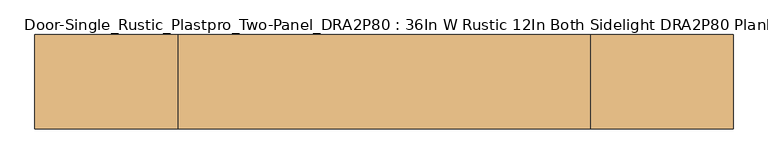
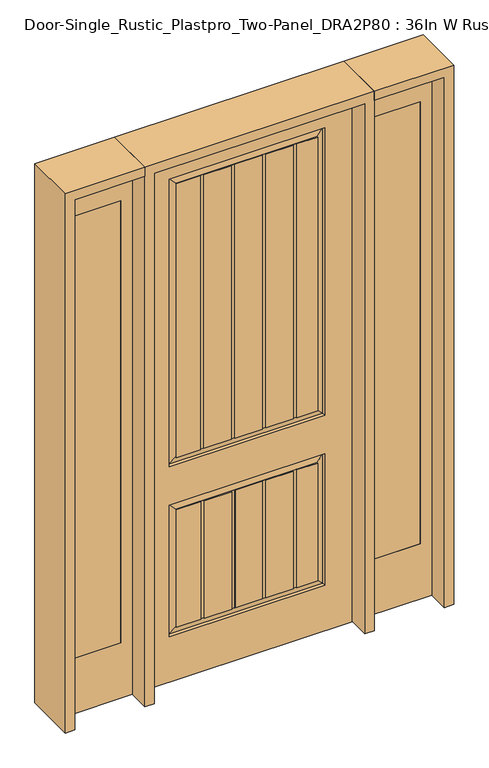
"""IFC4 building model written with IfcOpenShell, lengths in millimetres: door geometry, Door-Single_Rustic_Plastpro_Two-Panel_DRA2P80 : 36In W Rustic 12In Both Sidelight DRA2P80 Plank 96In."""

from ifc_helpers import new_model, si_unit, frame, origin, place, context, project, spatial, polyline, outline, extrude, faceted_brep, source, transform, mapped, element, save


def door_single_rustic_plastpro_two_panel_dra2p80_36in_w_rustic_40f884b5(model_context):
    return source(origin(), model_context, "Body", "SolidModel", [
        extrude(outline(polyline([(0.0, 803.275), (2438.4, 803.275), (2438.4, 498.475), (0.0, 498.475), (0.0, 803.275)]), holes=[polyline([(2286.0, 549.275), (2286.0, 752.475), (254.0, 752.475), (254.0, 549.275), (2286.0, 549.275)])]), frame((0.0, -20.6375, 0.0), z_axis=(0.0, 1.0, 0.0), x_axis=(0.0, 0.0, 1.0)), (0.0, 0.0, 1.0), 41.275),
        extrude(outline(polyline([(549.275, -20.6375), (549.275, 20.6375), (752.475, 20.6375), (752.475, -20.6375), (549.275, -20.6375)])), frame((0.0, 0.0, 254.0), z_axis=(0.0, 0.0, 1.0), x_axis=(1.0, 0.0, 0.0)), (0.0, 0.0, 1.0), 2032.0),
        extrude(outline(polyline([(0.0, -803.275), (0.0, -498.475), (2438.4, -498.475), (2438.4, -803.275), (0.0, -803.275)]), holes=[polyline([(2286.0, -549.275), (254.0, -549.275), (254.0, -752.475), (2286.0, -752.475), (2286.0, -549.275)])]), frame((0.0, -20.6375, 0.0), z_axis=(0.0, 1.0, 0.0), x_axis=(0.0, 0.0, 1.0)), (0.0, 0.0, 1.0), 41.275),
        extrude(outline(polyline([(-549.275, -20.6375), (-752.475, -20.6375), (-752.475, 20.6375), (-549.275, 20.6375), (-549.275, -20.6375)])), frame((0.0, 0.0, 254.0), z_axis=(0.0, 0.0, 1.0), x_axis=(1.0, 0.0, 0.0)), (0.0, 0.0, 1.0), 2032.0),
        faceted_brep([(457.2, 20.6375, 0.0), (-457.2, 20.6375, 0.0), (-457.2, 20.6375, 2438.4), (457.2, 20.6375, 2438.4), (-338.1375, 20.6375, 990.6), (338.1375, 20.6375, 990.6), (338.1375, 20.6375, 2311.4), (-338.1375, 20.6375, 2311.4), (-338.1375, 20.6375, 209.55), (338.1375, 20.6375, 209.55), (338.1375, 20.6375, 812.8), (-338.1375, 20.6375, 812.8), (201.36158, 20.6375, 781.59283), (201.36158, 20.6375, 240.75717), (82.4002142, 20.6375, 240.75717), (82.4002142, 20.6375, 781.59283), (216.6412675, 20.6375, 240.75717), (216.6412675, 20.6375, 781.59283), (306.93033, 20.6375, 781.59283), (306.93033, 20.6375, 240.75717), (-67.1205267, 20.6375, 781.59283), (-67.1205267, 20.6375, 240.75717), (-186.0818925, 20.6375, 240.75717), (-186.0818925, 20.6375, 781.59283), (-51.8408392, 20.6375, 240.75717), (-51.8408392, 20.6375, 781.59283), (67.1205267, 20.6375, 781.59283), (67.1205267, 20.6375, 240.75717), (201.36158, 20.6375, 2280.19283), (201.36158, 20.6375, 1021.80717), (82.4002142, 20.6375, 1021.80717), (82.4002142, 20.6375, 2280.19283), (216.6412675, 20.6375, 1021.80717), (216.6412675, 20.6375, 2280.19283), (306.93033, 20.6375, 2280.19283), (306.93033, 20.6375, 1021.80717), (-67.1205267, 20.6375, 2280.19283), (-67.1205267, 20.6375, 1021.80717), (-186.0818925, 20.6375, 1021.80717), (-186.0818925, 20.6375, 2280.19283), (-51.8408392, 20.6375, 1021.80717), (-51.8408392, 20.6375, 2280.19283), (67.1205267, 20.6375, 2280.19283), (67.1205267, 20.6375, 1021.80717), (-201.36158, 20.6375, 2280.19283), (-201.36158, 20.6375, 1021.80717), (-306.93033, 20.6375, 1021.80717), (-306.93033, 20.6375, 2280.19283), (-201.36158, 20.6375, 781.59283), (-201.36158, 20.6375, 240.75717), (-306.93033, 20.6375, 240.75717), (-306.93033, 20.6375, 781.59283), (457.2, -20.6375, 0.0), (-457.2, -20.6375, 0.0), (-457.2, -20.6375, 2438.4), (457.2, -20.6375, 2438.4), (338.1375, -20.6375, 990.6), (-338.1375, -20.6375, 990.6), (-338.1375, -20.6375, 2311.4), (338.1375, -20.6375, 2311.4), (338.1375, -20.6375, 209.55), (-338.1375, -20.6375, 209.55), (-338.1375, -20.6375, 812.8), (338.1375, -20.6375, 812.8), (201.36158, -20.6375, 240.75717), (201.36158, -20.6375, 781.59283), (82.4002142, -20.6375, 781.59283), (82.4002142, -20.6375, 240.75717), (216.6412675, -20.6375, 781.59283), (216.6412675, -20.6375, 240.75717), (306.93033, -20.6375, 240.75717), (306.93033, -20.6375, 781.59283), (-67.1205267, -20.6375, 240.75717), (-67.1205267, -20.6375, 781.59283), (-186.0818925, -20.6375, 781.59283), (-186.0818925, -20.6375, 240.75717), (-51.8408392, -20.6375, 781.59283), (-51.8408392, -20.6375, 240.75717), (67.1205267, -20.6375, 240.75717), (67.1205267, -20.6375, 781.59283), (201.36158, -20.6375, 1021.80717), (201.36158, -20.6375, 2280.19283), (82.005985, -20.6375, 2280.19283), (82.005985, -20.6375, 1021.80717), (216.6412675, -20.6375, 2280.19283), (216.6412675, -20.6375, 1021.80717), (306.93033, -20.6375, 1021.80717), (306.93033, -20.6375, 2280.19283), (-67.908985, -20.6375, 1021.80717), (-67.908985, -20.6375, 2280.19283), (-187.26458, -20.6375, 2280.19283), (-187.26458, -20.6375, 1021.80717), (-52.6292975, -20.6375, 2280.19283), (-52.6292975, -20.6375, 1021.80717), (66.7262975, -20.6375, 1021.80717), (66.7262975, -20.6375, 2280.19283), (-202.5442675, -20.6375, 1021.80717), (-202.5442675, -20.6375, 2280.19283), (-306.93033, -20.6375, 2280.19283), (-306.93033, -20.6375, 1021.80717), (-201.36158, -20.6375, 240.75717), (-201.36158, -20.6375, 781.59283), (-306.93033, -20.6375, 781.59283), (-306.93033, -20.6375, 240.75717), (201.36158, 17.4625, 781.59283), (201.36158, 17.4625, 240.75717), (82.4002142, 17.4625, 240.75717), (82.4002142, 17.4625, 781.59283), (216.6412675, 17.4625, 240.75717), (216.6412675, 17.4625, 781.59283), (-67.1205267, 17.4625, 781.59283), (-67.1205267, 17.4625, 240.75717), (-51.8408392, 17.4625, 240.75717), (-51.8408392, 17.4625, 781.59283), (67.1205267, 17.4625, 781.59283), (67.1205267, 17.4625, 240.75717), (201.36158, 17.4625, 2280.19283), (201.36158, 17.4625, 1021.80717), (82.4002142, 17.4625, 1021.80717), (82.4002142, 17.4625, 2280.19283), (216.6412675, 17.4625, 1021.80717), (216.6412675, 17.4625, 2280.19283), (-67.1205267, 17.4625, 2280.19283), (-67.1205267, 17.4625, 1021.80717), (-51.8408392, 17.4625, 1021.80717), (-51.8408392, 17.4625, 2280.19283), (67.1205267, 17.4625, 2280.19283), (67.1205267, 17.4625, 1021.80717), (201.36158, -17.4625, 240.75717), (201.36158, -17.4625, 781.59283), (82.4002142, -17.4625, 781.59283), (82.4002142, -17.4625, 240.75717), (216.6412675, -17.4625, 781.59283), (216.6412675, -17.4625, 240.75717), (-67.1205267, -17.4625, 240.75717), (-67.1205267, -17.4625, 781.59283), (-51.8408392, -17.4625, 781.59283), (-51.8408392, -17.4625, 240.75717), (67.1205267, -17.4625, 240.75717), (67.1205267, -17.4625, 781.59283), (201.36158, -17.4625, 1021.80717), (201.36158, -17.4625, 2280.19283), (82.005985, -17.4625, 2280.19283), (82.005985, -17.4625, 1021.80717), (216.6412675, -17.4625, 2280.19283), (216.6412675, -17.4625, 1021.80717), (-67.908985, -17.4625, 1021.80717), (-67.908985, -17.4625, 2280.19283), (-52.6292975, -17.4625, 2280.19283), (-52.6292975, -17.4625, 1021.80717), (66.7262975, -17.4625, 1021.80717), (66.7262975, -17.4625, 2280.19283), (306.93033, 16.4079106, 240.75717), (-306.93033, 16.4079106, 240.75717), (-201.36158, 17.4625, 240.75717), (-186.0818925, 17.4625, 240.75717), (306.93033, 16.4079106, 781.59283), (-186.0818925, 17.4625, 781.59283), (-201.36158, 17.4625, 781.59283), (-306.93033, 16.4079106, 781.59283), (306.93033, 16.4079106, 1021.80717), (-306.93033, 16.4079106, 1021.80717), (-201.36158, 17.4625, 1021.80717), (-186.0818925, 17.4625, 1021.80717), (306.93033, 16.4079106, 2280.19283), (-186.0818925, 17.4625, 2280.19283), (-333.918693, 11.1619043, 994.818807), (333.918693, 11.1619043, 994.818807), (333.918693, 11.1619043, 2307.181193), (-333.918693, 11.1619043, 2307.181193), (-333.918693, 11.1619043, 213.768807), (333.918693, 11.1619043, 213.768807), (333.918693, 11.1619043, 808.581193), (-333.918693, 11.1619043, 808.581193), (-201.36158, 17.4625, 2280.19283), (-306.93033, 16.4079106, 2280.19283), (306.93033, -16.4079106, 781.59283), (-306.93033, -16.4079106, 781.59283), (-201.36158, -17.4625, 781.59283), (-186.0818925, -17.4625, 781.59283), (-306.93033, -16.4079106, 240.75717), (306.93033, -16.4079106, 240.75717), (-186.0818925, -17.4625, 240.75717), (-201.36158, -17.4625, 240.75717), (-306.93033, -16.4079106, 1021.80717), (306.93033, -16.4079106, 1021.80717), (-187.26458, -17.4625, 1021.80717), (-202.5442675, -17.4625, 1021.80717), (306.93033, -16.4079106, 2280.19283), (-187.26458, -17.4625, 2280.19283), (333.918693, -11.1619043, 994.818807), (-333.918693, -11.1619043, 994.818807), (-333.918693, -11.1619043, 2307.181193), (333.918693, -11.1619043, 2307.181193), (333.918693, -11.1619043, 213.768807), (-333.918693, -11.1619043, 213.768807), (-333.918693, -11.1619043, 808.581193), (333.918693, -11.1619043, 808.581193), (-202.5442675, -17.4625, 2280.19283), (-306.93033, -16.4079106, 2280.19283)], [[[0, 1, 2, 3], [4, 5, 6, 7], [8, 9, 10, 11]], [[12, 13, 14, 15]], [[16, 17, 18, 19]], [[20, 21, 22, 23]], [[24, 25, 26, 27]], [[28, 29, 30, 31]], [[32, 33, 34, 35]], [[36, 37, 38, 39]], [[40, 41, 42, 43]], [[44, 45, 46, 47]], [[48, 49, 50, 51]], [[1, 0, 52, 53]], [[2, 1, 53, 54]], [[0, 3, 55, 52]], [[53, 52, 55, 54], [56, 57, 58, 59], [60, 61, 62, 63]], [[64, 65, 66, 67]], [[68, 69, 70, 71]], [[72, 73, 74, 75]], [[76, 77, 78, 79]], [[80, 81, 82, 83]], [[84, 85, 86, 87]], [[88, 89, 90, 91]], [[92, 93, 94, 95]], [[96, 97, 98, 99]], [[100, 101, 102, 103]], [[3, 2, 54, 55]], [[13, 12, 104, 105]], [[15, 14, 106, 107]], [[17, 16, 108, 109]], [[21, 20, 110, 111]], [[25, 24, 112, 113]], [[27, 26, 114, 115]], [[29, 28, 116, 117]], [[31, 30, 118, 119]], [[33, 32, 120, 121]], [[37, 36, 122, 123]], [[41, 40, 124, 125]], [[43, 42, 126, 127]], [[65, 64, 128, 129]], [[67, 66, 130, 131]], [[69, 68, 132, 133]], [[73, 72, 134, 135]], [[77, 76, 136, 137]], [[79, 78, 138, 139]], [[81, 80, 140, 141]], [[83, 82, 142, 143]], [[85, 84, 144, 145]], [[89, 88, 146, 147]], [[93, 92, 148, 149]], [[95, 94, 150, 151]], [[129, 128, 133, 132]], [[135, 134, 137, 136]], [[139, 138, 131, 130]], [[105, 104, 109, 108]], [[111, 110, 113, 112]], [[115, 114, 107, 106]], [[141, 140, 145, 144]], [[147, 146, 149, 148]], [[151, 150, 143, 142]], [[117, 116, 121, 120]], [[123, 122, 125, 124]], [[127, 126, 119, 118]], [[152, 153, 50, 49, 154, 155, 22, 21, 111, 112, 24, 27, 115, 106, 14, 13, 105, 108, 16, 19]], [[156, 18, 17, 109, 104, 12, 15, 107, 114, 26, 25, 113, 110, 20, 23, 157, 158, 48, 51, 159]], [[152, 19, 18, 156]], [[23, 22, 155, 157]], [[160, 161, 46, 45, 162, 163, 38, 37, 123, 124, 40, 43, 127, 118, 30, 29, 117, 120, 32, 35]], [[160, 35, 34, 164]], [[39, 38, 163, 165]], [[166, 167, 5, 4]], [[5, 167, 168, 6]], [[166, 4, 7, 169]], [[170, 171, 9, 8]], [[9, 171, 172, 10]], [[10, 172, 173, 11]], [[170, 8, 11, 173]], [[45, 44, 174, 162]], [[46, 161, 175, 47]], [[49, 48, 158, 154]], [[50, 153, 159, 51]], [[71, 176, 177, 102, 101, 178, 179, 74, 73, 135, 136, 76, 79, 139, 130, 66, 65, 129, 132, 68]], [[180, 181, 70, 69, 133, 128, 64, 67, 131, 138, 78, 77, 137, 134, 72, 75, 182, 183, 100, 103]], [[70, 181, 176, 71]], [[75, 74, 179, 182]], [[184, 185, 86, 85, 145, 140, 80, 83, 143, 150, 94, 93, 149, 146, 88, 91, 186, 187, 96, 99]], [[86, 185, 188, 87]], [[91, 90, 189, 186]], [[56, 190, 191, 57]], [[57, 191, 192, 58]], [[190, 56, 59, 193]], [[60, 194, 195, 61]], [[61, 195, 196, 62]], [[197, 63, 62, 196]], [[194, 60, 63, 197]], [[97, 96, 187, 198]], [[184, 99, 98, 199]], [[101, 100, 183, 178]], [[180, 103, 102, 177]], [[191, 190, 185, 184]], [[198, 187, 186, 189]], [[185, 190, 193, 188]], [[191, 184, 199, 192]], [[161, 160, 167, 166]], [[167, 160, 164, 168]], [[161, 166, 169, 175]], [[162, 174, 165, 163]], [[195, 194, 181, 180]], [[178, 183, 182, 179]], [[181, 194, 197, 176]], [[195, 180, 177, 196]], [[153, 152, 171, 170]], [[171, 152, 156, 172]], [[153, 170, 173, 159]], [[154, 158, 157, 155]], [[176, 197, 196, 177]], [[172, 156, 159, 173]], [[6, 168, 169, 7]], [[193, 59, 58, 192]], [[188, 193, 192, 199]], [[168, 164, 175, 169]], [[87, 188, 199, 98, 97, 198, 189, 90, 89, 147, 148, 92, 95, 151, 142, 82, 81, 141, 144, 84]], [[164, 34, 33, 121, 116, 28, 31, 119, 126, 42, 41, 125, 122, 36, 39, 165, 174, 44, 47, 175]]]),
        extrude(outline(polyline([(2438.4, -498.475), (2479.675, -498.475), (2479.675, -844.55), (0.0, -844.55), (0.0, -803.275), (2438.4, -803.275), (2438.4, -498.475)])), frame((0.0, -114.3, 0.0), z_axis=(0.0, 1.0, 0.0), x_axis=(0.0, 0.0, 1.0)), (0.0, 0.0, 1.0), 228.6),
        extrude(outline(polyline([(2479.675, -498.475), (0.0, -498.475), (0.0, -457.2), (2438.4, -457.2), (2438.4, 457.2), (0.0, 457.2), (0.0, 498.475), (2479.675, 498.475), (2479.675, -498.475)])), frame((0.0, -114.3, 0.0), z_axis=(0.0, 1.0, 0.0), x_axis=(0.0, 0.0, 1.0)), (0.0, 0.0, 1.0), 228.6),
        extrude(outline(polyline([(0.0, 803.275), (0.0, 844.55), (2479.675, 844.55), (2479.675, 498.475), (2438.4, 498.475), (2438.4, 803.275), (0.0, 803.275)])), frame((0.0, -114.3, 0.0), z_axis=(0.0, 1.0, 0.0), x_axis=(0.0, 0.0, 1.0)), (0.0, 0.0, 1.0), 228.6),
    ])


if __name__ == "__main__":
    model = new_model("IFC4")
    model_context = context("Model", 3, world=origin())
    ifc_project = project(units=[si_unit("LENGTHUNIT", "METRE", prefix="MILLI")], contexts=[model_context])
    site = spatial("IfcSite", under=ifc_project)
    building = spatial("IfcBuilding", under=site)
    placement = place(None, origin())
    door_single_rustic_plastpro_two_panel_dra2p80_36in_w_rustic_shape = door_single_rustic_plastpro_two_panel_dra2p80_36in_w_rustic_40f884b5(model_context)
    element("IfcDoor", 1, ObjectType="Door-Single_Rustic_Plastpro_Two-Panel_DRA2P80 : 36In W Rustic 12In Both Sidelight DRA2P80 Plank 96In", at=placement, inside=building, context=model_context, shape_type="MappedRepresentation", body=[
        mapped(door_single_rustic_plastpro_two_panel_dra2p80_36in_w_rustic_shape, transform((0.0, 0.0, 0.0), x_axis=(1.0, 0.0, 0.0), y_axis=(0.0, 1.0, 0.0), z_axis=(0.0, 0.0, 1.0))),
    ])
    save(model, "model.ifc")
